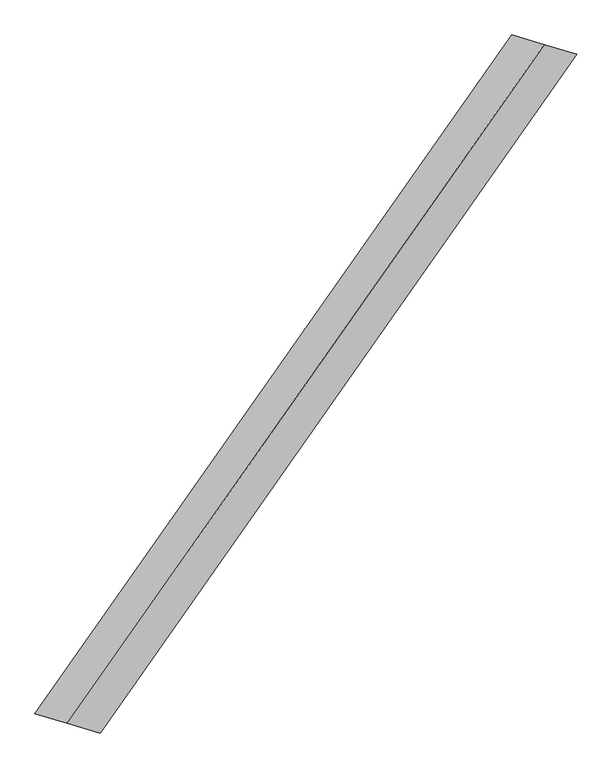
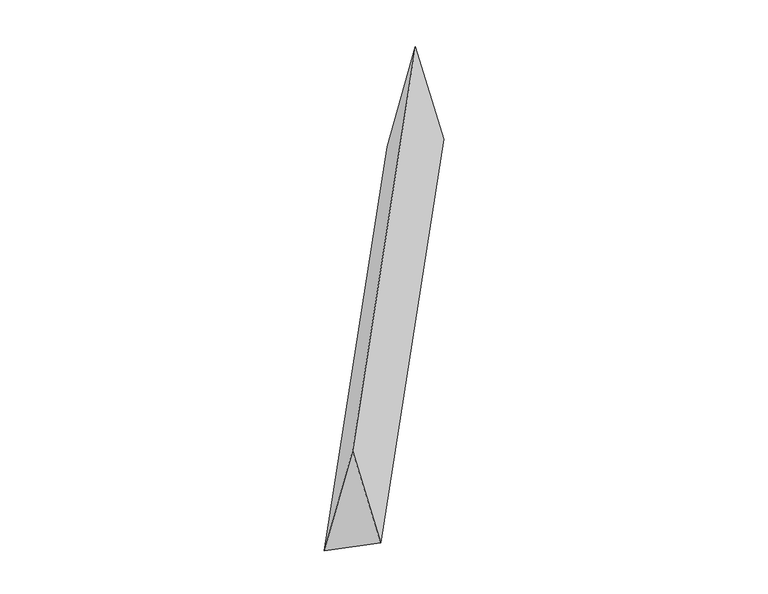
"""IFC4 building model written with IfcOpenShell, lengths in millimetres: proxy geometry."""

import ifcopenshell
import ifcopenshell.guid

model = None  # the IFC model being written
_history = None  # IfcOwnerHistory: only IFC2X3 demands one
_inside = {}  # id of a spatial element -> (the spatial element, [elements in it])
_under = {}  # id of a project, library or spatial element -> (it, [spatial elements below it])
_declared = {}  # id of a project -> (the project, [libraries it declares])
_typed = {}  # id of a type object -> (the type object, [elements of that type])
_made_of = {}  # id of a material, layer set ... -> (it, [elements and type objects made of it])


def new_model(schema):
    """Start an empty IFC model of exactly this schema.

    Asked for "IFC4X3", IfcOpenShell would pick the latest addendum, in which some entities
    have other attributes; the version numbers below select the first issue.
    IFC2X3 requires an IfcOwnerHistory on every rooted entity: one is made here for all.
    """
    global model, _history
    if schema == "IFC4X3":
        model = ifcopenshell.file(schema_version=(4, 3, 0, 0))
    else:
        model = ifcopenshell.file(schema=schema)
    _inside.clear()
    _under.clear()
    _declared.clear()
    _typed.clear()
    _made_of.clear()
    _history = None
    if model.schema == "IFC2X3":
        org = make("IfcOrganization", Name="unknown")
        user = make(
            "IfcPersonAndOrganization",
            ThePerson=make("IfcPerson", FamilyName="unknown"),
            TheOrganization=org,
        )
        app = make(
            "IfcApplication",
            ApplicationDeveloper=org,
            Version="unknown",
            ApplicationFullName="unknown",
            ApplicationIdentifier="unknown",
        )
        _history = make(
            "IfcOwnerHistory",
            OwningUser=user,
            OwningApplication=app,
            ChangeAction="ADDED",
            CreationDate=0,
        )
    return model


def make(cls, **values):
    """One entity of the class cls with the attributes given. An attribute that is None is left unset."""
    return model.create_entity(
        cls, **{name: value for name, value in values.items() if value is not None}
    )


def rooted(cls, **values):
    """An entity with a GlobalId (a new one), such as an element, a storey or a relation."""
    return make(cls, GlobalId=ifcopenshell.guid.new(), OwnerHistory=_history, **values)


def si_unit(unit_type, name, prefix=None):
    """IfcSIUnit, for example si_unit("LENGTHUNIT", "METRE", prefix="MILLI")."""
    return make("IfcSIUnit", UnitType=unit_type, Prefix=prefix, Name=name)


def assignment(units):
    """IfcUnitAssignment: the units of a project."""
    return None if units is None else make("IfcUnitAssignment", Units=units)


def point(xyz):
    """IfcCartesianPoint."""
    return None if xyz is None else make("IfcCartesianPoint", Coordinates=xyz)


def direction(xyz):
    """IfcDirection."""
    return None if xyz is None else make("IfcDirection", DirectionRatios=xyz)


def frame(location, z_axis=None, x_axis=None):
    """IfcAxis2Placement3D, a coordinate frame: its origin and axes. An axis left out is left unset."""
    return make(
        "IfcAxis2Placement3D",
        Location=point(location),
        Axis=direction(z_axis),
        RefDirection=direction(x_axis),
    )


def origin():
    """The frame at (0, 0, 0) with its axes left unset."""
    return frame((0.0, 0.0, 0.0))


def place(relative_to, where):
    """IfcLocalPlacement: puts the frame where relative to a parent placement (None: the world)."""
    return make(
        "IfcLocalPlacement", PlacementRelTo=relative_to, RelativePlacement=where
    )


def context(
    kind, dimensions, precision=None, world=None, true_north=None, identifier=None
):
    """IfcGeometricRepresentationContext, for example the 3D "Model" context."""
    return make(
        "IfcGeometricRepresentationContext",
        ContextIdentifier=identifier,
        ContextType=kind,
        CoordinateSpaceDimension=dimensions,
        Precision=precision,
        WorldCoordinateSystem=world,
        TrueNorth=true_north,
    )


def project(units=None, contexts=None):
    """IfcProject with its units and contexts."""
    return rooted(
        "IfcProject",
        Name="project",
        RepresentationContexts=contexts,
        UnitsInContext=assignment(units),
    )


def spatial(cls, under=None, at=None, **own):
    """A site, building, storey or space (cls), placed at a placement, below another one or the project."""
    s = rooted(cls, ObjectPlacement=at, **own)
    if under is not None:
        _under.setdefault(under.id(), (under, []))[1].append(s)
    return s


def faces_of(points, faces, orient=None, outer=None):
    """IfcFace entities. A face is a list of loops; a loop is a list of indices into points, from 0.

    orient and outer hold one flag for each loop. By default every Orientation is true, the
    first loop of a face is its IfcFaceOuterBound and the others are IfcFaceBound.
    """
    made = []
    for i, loops in enumerate(faces):
        bounds = []
        for j, loop in enumerate(loops):
            is_outer = j == 0 if outer is None else outer[i][j]
            bounds.append(
                make(
                    "IfcFaceOuterBound" if is_outer else "IfcFaceBound",
                    Bound=make("IfcPolyLoop", Polygon=[points[k] for k in loop]),
                    Orientation=True if orient is None else orient[i][j],
                )
            )
        made.append(make("IfcFace", Bounds=bounds))
    return made


def faceted_brep(points, faces, orient=None, outer=None, voids=None):
    """IfcFacetedBrep: a solid bounded by flat faces; with voids (closed shells), ...WithVoids."""
    shared = [point(p) for p in points]
    hull = make("IfcClosedShell", CfsFaces=faces_of(shared, faces, orient, outer))
    if voids is None:
        return make("IfcFacetedBrep", Outer=hull)
    return make(
        "IfcFacetedBrepWithVoids",
        Outer=hull,
        Voids=[
            make(cls, CfsFaces=faces_of(shared, fs, o, b)) for cls, fs, o, b in voids
        ],
    )


def shape(context_of_items, identifier, shape_type, items):
    """IfcShapeRepresentation: the items that make up one representation, for example the "Body"."""
    return make(
        "IfcShapeRepresentation",
        ContextOfItems=context_of_items,
        RepresentationIdentifier=identifier,
        RepresentationType=shape_type,
        Items=items,
    )


def source(mapping_origin, context_of_items, identifier, shape_type, items):
    """IfcRepresentationMap: a shape defined once, which mapped items show again and again."""
    return make(
        "IfcRepresentationMap",
        MappingOrigin=mapping_origin,
        MappedRepresentation=shape(context_of_items, identifier, shape_type, items),
    )


def transform(
    local_origin,
    x_axis=None,
    y_axis=None,
    z_axis=None,
    scale=None,
    scale2=None,
    scale3=None,
    uniform=True,
):
    """IfcCartesianTransformationOperator3D, or its non-uniform kind. x_axis, y_axis, z_axis: its Axis1, 2, 3."""
    if uniform:
        return make(
            "IfcCartesianTransformationOperator3D",
            Axis1=direction(x_axis),
            Axis2=direction(y_axis),
            LocalOrigin=point(local_origin),
            Scale=scale,
            Axis3=direction(z_axis),
        )
    return make(
        "IfcCartesianTransformationOperator3DnonUniform",
        Axis1=direction(x_axis),
        Axis2=direction(y_axis),
        LocalOrigin=point(local_origin),
        Scale=scale,
        Axis3=direction(z_axis),
        Scale2=scale2,
        Scale3=scale3,
    )


def mapped(mapping_source, mapping_target):
    """IfcMappedItem: shows the shape of a source again, moved by a transform."""
    return make(
        "IfcMappedItem", MappingSource=mapping_source, MappingTarget=mapping_target
    )


def made_of(thing, what):
    """Note that an element or type object is made of a material, layer set ...; save() writes the relation."""
    if what is not None:
        _made_of.setdefault(what.id(), (what, []))[1].append(thing)
    return thing


def element(
    cls,
    number,
    at=None,
    inside=None,
    cuts=None,
    type_object=None,
    material=None,
    context=None,
    identifier="Body",
    shape_type=None,
    held_by="IfcProductDefinitionShape",
    body=None,
    shapes=None,
    **own,
):
    """One element of the class cls, such as IfcWall. Its Tag is "e" and its number.

    at: its placement. inside: the storey or other place that contains it. cuts: it is an
    opening in that element (IfcRelVoidsElement). A single representation is given by context,
    identifier, shape_type and body (its items); several are given by shapes. held_by: the class
    of the entity that holds the representations. save() writes the other relations.
    """
    e = rooted(cls, Tag="e%d" % number, ObjectPlacement=at, **own)
    if body is not None:
        shapes = [shape(context, identifier, shape_type, body)]
    if shapes is not None:
        e.Representation = make(held_by, Representations=shapes)
    if inside is not None:
        _inside.setdefault(inside.id(), (inside, []))[1].append(e)
    if cuts is not None:
        rooted(
            "IfcRelVoidsElement", RelatingBuildingElement=cuts, RelatedOpeningElement=e
        )
    if type_object is not None:
        _typed.setdefault(type_object.id(), (type_object, []))[1].append(e)
    return made_of(e, material)


def aggregate(whole, parts):
    """IfcRelAggregates: a whole, such as a stair, and the parts it consists of."""
    return rooted("IfcRelAggregates", RelatingObject=whole, RelatedObjects=parts)


def save(model, path):
    """Write the relations noted so far, then the file.

    IfcRelAggregates (storeys below a building ...), IfcRelContainedInSpatialStructure (elements
    in a storey), IfcRelDefinesByType, IfcRelAssociatesMaterial and IfcRelDeclares: one each for
    every whole, place, type object, material and project.
    """
    for whole, parts in _under.values():
        aggregate(whole, parts)
    for where, things in _inside.values():
        rooted(
            "IfcRelContainedInSpatialStructure",
            RelatedElements=things,
            RelatingStructure=where,
        )
    for kind, things in _typed.values():
        rooted("IfcRelDefinesByType", RelatedObjects=things, RelatingType=kind)
    for what, things in _made_of.values():
        rooted("IfcRelAssociatesMaterial", RelatedObjects=things, RelatingMaterial=what)
    for by, libraries in _declared.values():
        rooted("IfcRelDeclares", RelatingContext=by, RelatedDefinitions=libraries)
    model.write(path)


def generic_models_f0c917c4(model_context):
    return source(origin(), model_context, "Body", "Brep", [
        faceted_brep([(-1213.8423336, -1726.9549313, 700.0), (-1048.1852737, -1775.8676008, 0.0), (1379.4993936, 1678.0422618, 0.0), (1213.8423336, 1726.9549313, 700.0), (-1379.4993936, -1678.0422618, 0.0), (1048.1852737, 1775.8676008, 0.0)], [[[0, 1, 2, 3]], [[1, 4, 5, 2]], [[4, 0, 3, 5]], [[3, 2, 5]], [[0, 4, 1]]]),
    ])


if __name__ == "__main__":
    model = new_model("IFC4")
    model_context = context("Model", 3, world=origin())
    ifc_project = project(units=[si_unit("LENGTHUNIT", "METRE", prefix="MILLI")], contexts=[model_context])
    site = spatial("IfcSite", under=ifc_project)
    building = spatial("IfcBuilding", under=site)
    placement = place(None, origin())
    generic_models_shape = generic_models_f0c917c4(model_context)
    element("IfcBuildingElementProxy", 1, Name="Generic Models", at=placement, inside=building, context=model_context, shape_type="MappedRepresentation", body=[
        mapped(generic_models_shape, transform((0.0, 0.0, 0.0), x_axis=(1.0, 0.0, 0.0), y_axis=(0.0, 1.0, 0.0), z_axis=(0.0, 0.0, 1.0))),
    ])
    save(model, "model.ifc")
